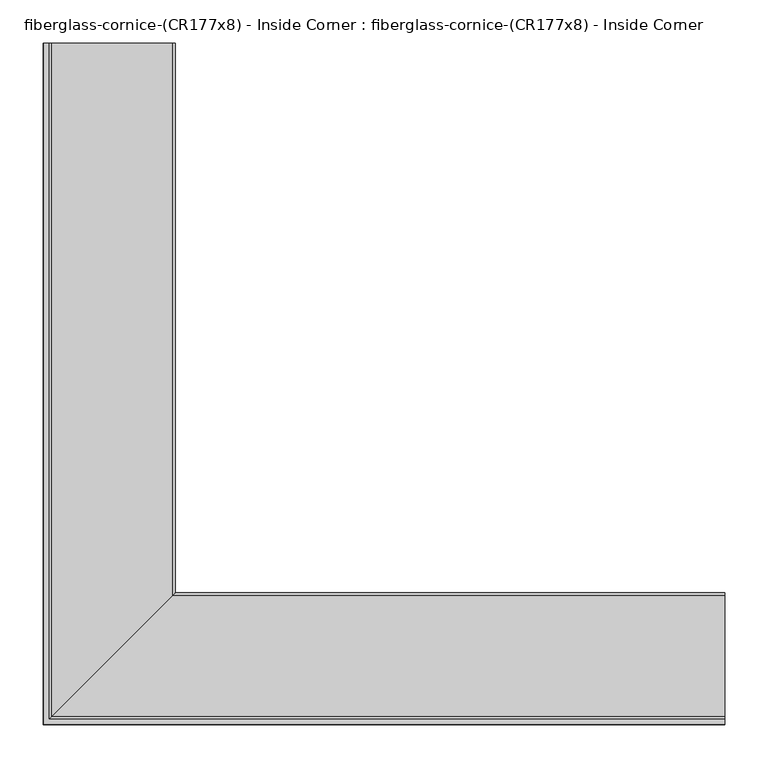
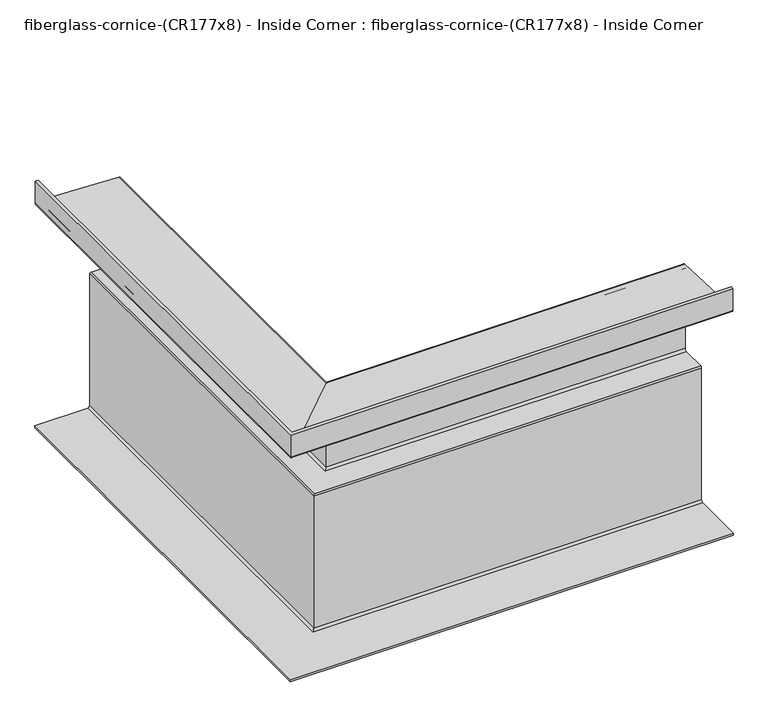
"""IFC4 building model written with IfcOpenShell, lengths in millimetres: furniture geometry, fiberglass-cornice-(CR177x8) - Inside Corner : fiberglass-cornice-(CR177x8) - Inside Corner."""

from ifc_helpers import new_model, si_unit, frame, origin, place, context, project, spatial, polyline, circle_curve, ellipse_curve, source, transform, mapped, element, save
from ifc_brep_helpers import plane_surface, cylinder_surface, revolved_surface, advanced_brep


def fiberglass_cornice_cr177x8_inside_corner_fiberglass_cornice_ce63e3af(model_context):
    return source(origin(), model_context, "Body", "AdvancedBrep", [
        advanced_brep(
        [(-393.6999938, 888.603125, 330.1999904), (-387.9849938, 888.603125, 330.1999904), (-387.9849938, 888.603125, 294.8808703), (-384.9421708, 888.603125, 291.7086228), (-244.9778169, 888.603125, 285.8767747), (-241.9349938, 888.603125, 282.7045272), (-241.9349938, 888.603125, 123.5526185), (-245.1099938, 888.603125, 120.3776185), (-289.5599938, 888.603125, 120.3776185), (-292.7349938, 888.603125, 117.2026185), (-292.7349938, 888.603125, -130.4473815), (-295.9099938, 888.603125, -133.6223815), (-394.3349938, 888.603125, -133.6223815), (-394.3349938, 888.603125, -129.4948815), (-300.6724938, 888.603125, -129.4948815), (-296.8624938, 888.603125, -125.6848815), (-296.8624938, 888.603125, 121.9651185), (-294.3224938, 888.603125, 124.5051185), (-249.8724938, 888.603125, 124.5051185), (-246.0624938, 888.603125, 128.3151185), (-246.0624938, 888.603125, 276.5529647), (-249.7138815, 888.603125, 280.3596617), (-391.2657354, 888.603125, 286.2576556), (-393.6999938, 888.603125, 288.7954536), (393.6999938, 101.203125, 330.1999904), (393.6999938, 101.203125, 288.7954536), (393.6999938, 103.6373834, 286.2576556), (393.6999938, 245.1892374, 280.3596617), (393.6999938, 248.840625, 276.5529647), (393.6999938, 248.840625, 128.3151185), (393.6999938, 245.030625, 124.5051185), (393.6999938, 200.580625, 124.5051185), (393.6999938, 198.040625, 121.9651185), (393.6999938, 198.040625, -125.6848815), (393.6999938, 194.230625, -129.4948815), (393.6999938, 100.568125, -129.4948815), (393.6999938, 100.568125, -133.6223815), (393.6999938, 198.993125, -133.6223815), (393.6999938, 202.168125, -130.4473815), (393.6999938, 202.168125, 117.2026185), (393.6999938, 205.343125, 120.3776185), (393.6999938, 249.793125, 120.3776185), (393.6999938, 252.968125, 123.5526185), (393.6999938, 252.968125, 282.7045272), (393.6999938, 249.925302, 285.8767747), (393.6999938, 109.960948, 291.7086228), (393.6999938, 106.918125, 294.8808703), (393.6999938, 106.918125, 330.1999904), (-393.6999938, 101.203125, 330.1999904), (-387.9849938, 106.918125, 330.1999904), (-387.9849938, 106.918125, 294.8808703), (-384.9421708, 109.960948, 291.7086228), (-244.9778169, 249.925302, 285.8767747), (-241.9349938, 252.968125, 282.7045272), (-241.9349938, 252.968125, 123.5526185), (-245.1099938, 249.793125, 120.3776185), (-289.5599938, 205.343125, 120.3776185), (-292.7349938, 202.168125, 117.2026185), (-292.7349938, 202.168125, -130.4473815), (-295.9099938, 198.993125, -133.6223815), (-394.3349938, 100.568125, -133.6223815), (-394.3349938, 100.568125, -129.4948815), (-300.6724938, 194.230625, -129.4948815), (-296.8624938, 198.040625, -125.6848815), (-296.8624938, 198.040625, 121.9651185), (-294.3224938, 200.580625, 124.5051185), (-249.8724938, 245.030625, 124.5051185), (-246.0624938, 248.840625, 128.3151185), (-246.0624938, 248.840625, 276.5529647), (-249.7138815, 245.1892374, 280.3596617), (-391.2657354, 103.6373834, 286.2576556), (-393.6999938, 101.203125, 288.7954536)],
        [
            (0, 1),
            (1, 2),
            (2, 3, circle_curve(frame((-384.8099938, 888.603125, 294.8808703), z_axis=(0.0, -1.0, 0.0), x_axis=(1.0, 0.0, 0.0)), 3.175)),
            (3, 4),
            (4, 5, circle_curve(frame((-245.1099938, 888.603125, 282.7045272), z_axis=(0.0, 1.0, 0.0), x_axis=(1.0, 0.0, 0.0)), 3.175)),
            (5, 6),
            (6, 7, circle_curve(frame((-245.1099938, 888.603125, 123.5526185), z_axis=(0.0, 1.0, 0.0), x_axis=(1.0, 0.0, 0.0)), 3.175)),
            (7, 8),
            (8, 9, circle_curve(frame((-289.5599938, 888.603125, 117.2026185), z_axis=(0.0, -1.0, 0.0), x_axis=(1.0, 0.0, 0.0)), 3.175)),
            (9, 10),
            (10, 11, circle_curve(frame((-295.9099938, 888.603125, -130.4473815), z_axis=(0.0, 1.0, 0.0), x_axis=(1.0, 0.0, 0.0)), 3.175)),
            (11, 12),
            (12, 13),
            (13, 14),
            (14, 15, circle_curve(frame((-300.6724938, 888.603125, -125.6848815), z_axis=(0.0, -1.0, 0.0), x_axis=(1.0, 0.0, 0.0)), 3.81)),
            (15, 16),
            (16, 17, circle_curve(frame((-294.3224938, 888.603125, 121.9651185), z_axis=(0.0, 1.0, 0.0), x_axis=(1.0, 0.0, 0.0)), 2.54)),
            (17, 18),
            (18, 19, circle_curve(frame((-249.8724938, 888.603125, 128.3151185), z_axis=(0.0, -1.0, 0.0), x_axis=(1.0, 0.0, 0.0)), 3.81)),
            (19, 20),
            (20, 21, circle_curve(frame((-249.8724938, 888.603125, 276.5529647), z_axis=(0.0, -1.0, 0.0), x_axis=(1.0, 0.0, 0.0)), 3.81)),
            (21, 22),
            (22, 23, circle_curve(frame((-391.1599938, 888.603125, 288.7954536), z_axis=(0.0, 1.0, 0.0), x_axis=(1.0, 0.0, 0.0)), 2.54)),
            (23, 0),
            (24, 25),
            (25, 26, circle_curve(frame((393.6999938, 103.743125, 288.7954536), z_axis=(1.0, 0.0, 0.0), x_axis=(0.0, 1.0, 0.0)), 2.54)),
            (26, 27),
            (27, 28, circle_curve(frame((393.6999938, 245.030625, 276.5529647), z_axis=(-1.0, 0.0, 0.0), x_axis=(0.0, 1.0, 0.0)), 3.81)),
            (28, 29),
            (29, 30, circle_curve(frame((393.6999938, 245.030625, 128.3151185), z_axis=(-1.0, 0.0, 0.0), x_axis=(0.0, 1.0, 0.0)), 3.81)),
            (30, 31),
            (31, 32, circle_curve(frame((393.6999938, 200.580625, 121.9651185), z_axis=(1.0, 0.0, 0.0), x_axis=(0.0, 1.0, 0.0)), 2.54)),
            (32, 33),
            (33, 34, circle_curve(frame((393.6999938, 194.230625, -125.6848815), z_axis=(-1.0, 0.0, 0.0), x_axis=(0.0, 1.0, 0.0)), 3.81)),
            (34, 35),
            (35, 36),
            (36, 37),
            (37, 38, circle_curve(frame((393.6999938, 198.993125, -130.4473815), z_axis=(1.0, 0.0, 0.0), x_axis=(0.0, 1.0, 0.0)), 3.175)),
            (38, 39),
            (39, 40, circle_curve(frame((393.6999938, 205.343125, 117.2026185), z_axis=(-1.0, 0.0, 0.0), x_axis=(0.0, 1.0, 0.0)), 3.175)),
            (40, 41),
            (41, 42, circle_curve(frame((393.6999938, 249.793125, 123.5526185), z_axis=(1.0, 0.0, 0.0), x_axis=(0.0, 1.0, 0.0)), 3.175)),
            (42, 43),
            (43, 44, circle_curve(frame((393.6999938, 249.793125, 282.7045272), z_axis=(1.0, 0.0, 0.0), x_axis=(0.0, 1.0, 0.0)), 3.175)),
            (44, 45),
            (45, 46, circle_curve(frame((393.6999938, 110.093125, 294.8808703), z_axis=(-1.0, 0.0, 0.0), x_axis=(0.0, 1.0, 0.0)), 3.175)),
            (46, 47),
            (47, 24),
            (0, 48),
            (48, 24),
            (47, 49),
            (49, 1),
            (49, 50),
            (50, 2),
            (50, 51, ellipse_curve(frame((-384.8099938, 110.093125, 294.8808703), z_axis=(0.7071067811865475, -0.7071067811865475, 0.0), x_axis=(-0.7071067811865474, -0.7071067811865476, 0.0)), 4.4901281, 3.175)),
            (51, 3),
            (51, 52),
            (52, 4),
            (52, 53, ellipse_curve(frame((-245.1099938, 249.793125, 282.7045272), z_axis=(-0.7071067811865475, 0.7071067811865475, 0.0), x_axis=(0.7071067811865474, 0.7071067811865476, 0.0)), 4.4901281, 3.175)),
            (53, 5),
            (53, 54),
            (54, 6),
            (54, 55, ellipse_curve(frame((-245.1099938, 249.793125, 123.5526185), z_axis=(-0.7071067811865475, 0.7071067811865475, 0.0), x_axis=(0.7071067811865474, 0.7071067811865476, 0.0)), 4.4901281, 3.175)),
            (55, 7),
            (55, 41),
            (40, 56),
            (56, 8),
            (56, 57, ellipse_curve(frame((-289.5599938, 205.343125, 117.2026185), z_axis=(0.7071067811865475, -0.7071067811865475, 0.0), x_axis=(-0.7071067811865474, -0.7071067811865476, 0.0)), 4.4901281, 3.175)),
            (57, 9),
            (57, 58),
            (58, 10),
            (58, 59, ellipse_curve(frame((-295.9099938, 198.993125, -130.4473815), z_axis=(-0.7071067811865475, 0.7071067811865475, 0.0), x_axis=(0.7071067811865474, 0.7071067811865476, 0.0)), 4.4901281, 3.175)),
            (59, 11),
            (59, 37),
            (36, 60),
            (60, 12),
            (60, 61),
            (61, 13),
            (61, 35),
            (34, 62),
            (62, 14),
            (62, 63, ellipse_curve(frame((-300.6724938, 194.230625, -125.6848815), z_axis=(0.7071067811865475, -0.7071067811865475, 0.0), x_axis=(-0.7071067811865474, -0.7071067811865476, 0.0)), 5.3881537, 3.81)),
            (63, 15),
            (63, 64),
            (64, 16),
            (64, 65, ellipse_curve(frame((-294.3224938, 200.580625, 121.9651185), z_axis=(-0.7071067811865475, 0.7071067811865475, 0.0), x_axis=(0.7071067811865474, 0.7071067811865476, 0.0)), 3.5921024, 2.54)),
            (65, 17),
            (65, 31),
            (30, 66),
            (66, 18),
            (66, 67, ellipse_curve(frame((-249.8724938, 245.030625, 128.3151185), z_axis=(0.7071067811865475, -0.7071067811865475, 0.0), x_axis=(-0.7071067811865474, -0.7071067811865476, 0.0)), 5.3881537, 3.81)),
            (67, 19),
            (67, 68),
            (68, 20),
            (68, 69, ellipse_curve(frame((-249.8724938, 245.030625, 276.5529647), z_axis=(0.7071067811865475, -0.7071067811865475, 0.0), x_axis=(-0.7071067811865474, -0.7071067811865476, 0.0)), 5.3881537, 3.81)),
            (69, 21),
            (69, 70),
            (70, 22),
            (70, 71, ellipse_curve(frame((-391.1599938, 103.743125, 288.7954536), z_axis=(-0.7071067811865475, 0.7071067811865475, 0.0), x_axis=(0.7071067811865474, 0.7071067811865476, 0.0)), 3.5921024, 2.54)),
            (71, 23),
            (71, 48),
            (46, 50),
            (45, 51),
            (44, 52),
            (43, 53),
            (42, 54),
            (39, 57),
            (38, 58),
            (33, 63),
            (32, 64),
            (29, 67),
            (28, 68),
            (27, 69),
            (26, 70),
            (25, 71),
        ],
        [
            plane_surface(frame((-393.6999938, 888.603125, 330.1999904), z_axis=(0.0, 1.0, 0.0), x_axis=(0.0, 0.0, 1.0))),
            plane_surface(frame((393.6999938, 101.203125, 330.1999904), z_axis=(1.0, 0.0, 0.0), x_axis=(0.0, 0.0, 1.0))),
            plane_surface(frame((-393.6999938, 888.603125, 330.1999904), z_axis=(0.0, 0.0, 1.0), x_axis=(0.0, -1.0, 0.0))),
            plane_surface(frame((-387.9849938, 888.603125, 330.1999904), z_axis=(1.0, 0.0, 0.0), x_axis=(0.0, -1.0, 0.0))),
            revolved_surface(polyline([(-381.63499379999996, 106.91812497209366, 294.8808703), (-381.63499379999996, 888.603125, 294.8808703)]), (-384.8099938, 888.603125, 294.8808703), (0.0, -1.0, 0.0)),
            plane_surface(frame((-384.9421708, 888.603125, 291.7086228), z_axis=(0.04163054471217731, 0.0, 0.9991330730923521), x_axis=(0.0, -1.0, 0.0))),
            cylinder_surface(frame((-245.1099938, 888.603125, 282.7045272), z_axis=(0.0, 1.0, 0.0), x_axis=(1.0, 0.0, 0.0)), 3.175),
            plane_surface(frame((-241.9349938, 888.603125, 282.7045272), z_axis=(1.0, 0.0, 0.0), x_axis=(0.0, -1.0, 0.0))),
            cylinder_surface(frame((-245.1099938, 888.603125, 123.5526185), z_axis=(0.0, 1.0, 0.0), x_axis=(1.0, 0.0, 0.0)), 3.175),
            plane_surface(frame((-245.1099938, 888.603125, 120.3776185), z_axis=(0.0, 0.0, -1.0), x_axis=(0.0, -1.0, 0.0))),
            revolved_surface(polyline([(-286.38499379999996, 202.16812497209366, 117.2026185), (-286.38499379999996, 888.603125, 117.2026185)]), (-289.5599938, 888.603125, 117.2026185), (0.0, -1.0, 0.0)),
            plane_surface(frame((-292.7349938, 888.603125, 117.2026185), z_axis=(1.0, 0.0, 0.0), x_axis=(0.0, -1.0, 0.0))),
            cylinder_surface(frame((-295.9099938, 888.603125, -130.4473815), z_axis=(0.0, 1.0, 0.0), x_axis=(1.0, 0.0, 0.0)), 3.175),
            plane_surface(frame((-295.9099938, 888.603125, -133.6223815), z_axis=(0.0, 0.0, -1.0), x_axis=(0.0, -1.0, 0.0))),
            plane_surface(frame((-394.3349938, 888.603125, -133.6223815), z_axis=(-1.0, 0.0, 0.0), x_axis=(0.0, -1.0, 0.0))),
            plane_surface(frame((-394.3349938, 888.603125, -129.4948815), z_axis=(0.0, 0.0, 1.0), x_axis=(0.0, -1.0, 0.0))),
            revolved_surface(polyline([(-296.8624938, 190.42062498065468, -125.6848815), (-296.8624938, 888.603125, -125.6848815)]), (-300.6724938, 888.603125, -125.6848815), (0.0, -1.0, 0.0)),
            plane_surface(frame((-296.8624938, 888.603125, -125.6848815), z_axis=(-1.0, 0.0, 0.0), x_axis=(0.0, -1.0, 0.0))),
            cylinder_surface(frame((-294.3224938, 888.603125, 121.9651185), z_axis=(0.0, 1.0, 0.0), x_axis=(1.0, 0.0, 0.0)), 2.54),
            plane_surface(frame((-294.3224938, 888.603125, 124.5051185), z_axis=(0.0, 0.0, 1.0), x_axis=(0.0, -1.0, 0.0))),
            revolved_surface(polyline([(-246.0624938, 241.22062498065463, 128.3151185), (-246.0624938, 888.603125, 128.3151185)]), (-249.8724938, 888.603125, 128.3151185), (0.0, -1.0, 0.0)),
            plane_surface(frame((-246.0624938, 888.603125, 128.3151185), z_axis=(-1.0, 0.0, 0.0), x_axis=(0.0, -1.0, 0.0))),
            revolved_surface(polyline([(-246.0624938, 241.22062498065463, 276.5529647), (-246.0624938, 888.603125, 276.5529647)]), (-249.8724938, 888.603125, 276.5529647), (0.0, -1.0, 0.0)),
            plane_surface(frame((-249.7138815, 888.603125, 280.3596617), z_axis=(-0.04163054471218976, 0.0, -0.9991330730923517), x_axis=(0.0, -1.0, 0.0))),
            cylinder_surface(frame((-391.1599938, 888.603125, 288.7954536), z_axis=(0.0, 1.0, 0.0), x_axis=(1.0, 0.0, 0.0)), 2.54),
            plane_surface(frame((-393.6999938, 888.603125, 288.7954536), z_axis=(-1.0, 0.0, 0.0), x_axis=(0.0, -1.0, 0.0))),
            plane_surface(frame((-387.9849938, 106.918125, 330.1999904), z_axis=(0.0, 1.0, 0.0), x_axis=(1.0, 0.0, 0.0))),
            revolved_surface(polyline([(393.6999938, 113.268125, 294.8808703), (-387.98499382790624, 113.268125, 294.8808703)]), (-393.6999938, 110.093125, 294.8808703), (1.0, 0.0, 0.0)),
            plane_surface(frame((-384.9421708, 109.960948, 291.7086228), z_axis=(0.0, 0.04163054471217731, 0.9991330730923521), x_axis=(1.0, 0.0, 0.0))),
            cylinder_surface(frame((-393.6999938, 249.793125, 282.7045272), z_axis=(-1.0, 0.0, 0.0), x_axis=(0.0, 1.0, 0.0)), 3.175),
            plane_surface(frame((-241.9349938, 252.968125, 282.7045272), z_axis=(0.0, 1.0, 0.0), x_axis=(1.0, 0.0, 0.0))),
            cylinder_surface(frame((-393.6999938, 249.793125, 123.5526185), z_axis=(-1.0, 0.0, 0.0), x_axis=(0.0, 1.0, 0.0)), 3.175),
            revolved_surface(polyline([(393.6999938, 208.518125, 117.2026185), (-292.73499382790624, 208.518125, 117.2026185)]), (-393.6999938, 205.343125, 117.2026185), (1.0, 0.0, 0.0)),
            plane_surface(frame((-292.7349938, 202.168125, 117.2026185), z_axis=(0.0, 1.0, 0.0), x_axis=(1.0, 0.0, 0.0))),
            cylinder_surface(frame((-393.6999938, 198.993125, -130.4473815), z_axis=(-1.0, 0.0, 0.0), x_axis=(0.0, 1.0, 0.0)), 3.175),
            plane_surface(frame((-394.3349938, 100.568125, -133.6223815), z_axis=(0.0, -1.0, 0.0), x_axis=(1.0, 0.0, 0.0))),
            revolved_surface(polyline([(393.6999938, 198.040625, -125.6848815), (-304.48249381934534, 198.040625, -125.6848815)]), (-393.6999938, 194.230625, -125.6848815), (1.0, 0.0, 0.0)),
            plane_surface(frame((-296.8624938, 198.040625, -125.6848815), z_axis=(0.0, -1.0, 0.0), x_axis=(1.0, 0.0, 0.0))),
            cylinder_surface(frame((-393.6999938, 200.580625, 121.9651185), z_axis=(-1.0, 0.0, 0.0), x_axis=(0.0, 1.0, 0.0)), 2.54),
            revolved_surface(polyline([(393.6999938, 248.840625, 128.3151185), (-253.68249381934538, 248.840625, 128.3151185)]), (-393.6999938, 245.030625, 128.3151185), (1.0, 0.0, 0.0)),
            plane_surface(frame((-246.0624938, 248.840625, 128.3151185), z_axis=(0.0, -1.0, 0.0), x_axis=(1.0, 0.0, 0.0))),
            revolved_surface(polyline([(393.6999938, 248.840625, 276.5529647), (-253.68249381934538, 248.840625, 276.5529647)]), (-393.6999938, 245.030625, 276.5529647), (1.0, 0.0, 0.0)),
            plane_surface(frame((-249.7138815, 245.1892374, 280.3596617), z_axis=(0.0, -0.04163054471218976, -0.9991330730923517), x_axis=(1.0, 0.0, 0.0))),
            cylinder_surface(frame((-393.6999938, 103.743125, 288.7954536), z_axis=(-1.0, 0.0, 0.0), x_axis=(0.0, 1.0, 0.0)), 2.54),
            plane_surface(frame((-393.6999938, 101.203125, 288.7954536), z_axis=(0.0, -1.0, 0.0), x_axis=(1.0, 0.0, 0.0))),
        ],
        [
            (0, [[1, 2, 3, 4, 5, 6, 7, 8, 9, 10, 11, 12, 13, 14, 15, 16, 17, 18, 19, 20, 21, 22, 23, 24]]),
            (1, [[25, 26, 27, 28, 29, 30, 31, 32, 33, 34, 35, 36, 37, 38, 39, 40, 41, 42, 43, 44, 45, 46, 47, 48]]),
            (2, [[-1, 49, 50, -48, 51, 52]]),
            (3, [[-2, -52, 53, 54]]),
            (4, [[-3, -54, 55, 56]]),
            (5, [[-4, -56, 57, 58]]),
            (6, [[-5, -58, 59, 60]]),
            (7, [[-6, -60, 61, 62]]),
            (8, [[-7, -62, 63, 64]]),
            (9, [[-8, -64, 65, -41, 66, 67]]),
            (10, [[-9, -67, 68, 69]]),
            (11, [[-10, -69, 70, 71]]),
            (12, [[-11, -71, 72, 73]]),
            (13, [[-12, -73, 74, -37, 75, 76]]),
            (14, [[-13, -76, 77, 78]]),
            (15, [[-14, -78, 79, -35, 80, 81]]),
            (16, [[-15, -81, 82, 83]]),
            (17, [[-16, -83, 84, 85]]),
            (18, [[-17, -85, 86, 87]]),
            (19, [[-18, -87, 88, -31, 89, 90]]),
            (20, [[-19, -90, 91, 92]]),
            (21, [[-20, -92, 93, 94]]),
            (22, [[-21, -94, 95, 96]]),
            (23, [[-22, -96, 97, 98]]),
            (24, [[-23, -98, 99, 100]]),
            (25, [[-24, -100, 101, -49]]),
            (26, [[-53, -51, -47, 102]]),
            (27, [[-55, -102, -46, 103]]),
            (28, [[-57, -103, -45, 104]]),
            (29, [[-59, -104, -44, 105]]),
            (30, [[-61, -105, -43, 106]]),
            (31, [[-63, -106, -42, -65]]),
            (32, [[-68, -66, -40, 107]]),
            (33, [[-70, -107, -39, 108]]),
            (34, [[-72, -108, -38, -74]]),
            (35, [[-77, -75, -36, -79]]),
            (36, [[-82, -80, -34, 109]]),
            (37, [[-84, -109, -33, 110]]),
            (38, [[-86, -110, -32, -88]]),
            (39, [[-91, -89, -30, 111]]),
            (40, [[-93, -111, -29, 112]]),
            (41, [[-95, -112, -28, 113]]),
            (42, [[-97, -113, -27, 114]]),
            (43, [[-99, -114, -26, 115]]),
            (44, [[-101, -115, -25, -50]]),
        ],
    ),
    ])


if __name__ == "__main__":
    model = new_model("IFC4")
    model_context = context("Model", 3, world=origin())
    ifc_project = project(units=[si_unit("LENGTHUNIT", "METRE", prefix="MILLI")], contexts=[model_context])
    site = spatial("IfcSite", under=ifc_project)
    building = spatial("IfcBuilding", under=site)
    placement = place(None, origin())
    fiberglass_cornice_cr177x8_inside_corner_fiberglass_cornice_shape = fiberglass_cornice_cr177x8_inside_corner_fiberglass_cornice_ce63e3af(model_context)
    element("IfcFurniture", 1, ObjectType="fiberglass-cornice-(CR177x8) - Inside Corner : fiberglass-cornice-(CR177x8) - Inside Corner", at=placement, inside=building, context=model_context, shape_type="MappedRepresentation", body=[
        mapped(fiberglass_cornice_cr177x8_inside_corner_fiberglass_cornice_shape, transform((0.0, 0.0, 0.0), x_axis=(1.0, 0.0, 0.0), y_axis=(0.0, 1.0, 0.0), z_axis=(0.0, 0.0, 1.0))),
    ])
    save(model, "model.ifc")
